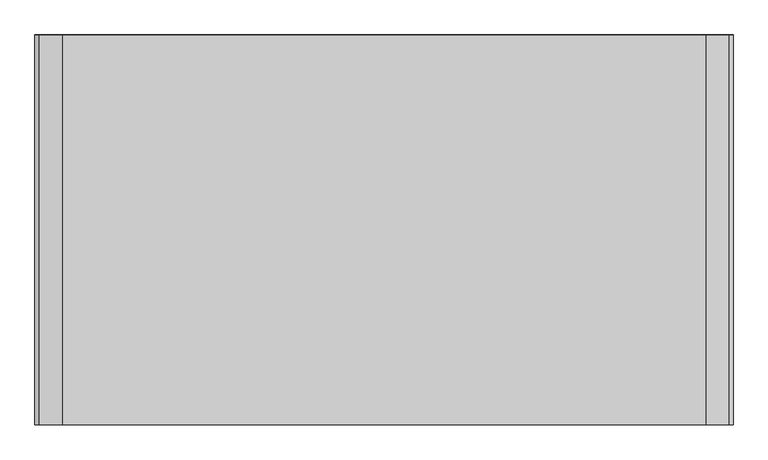
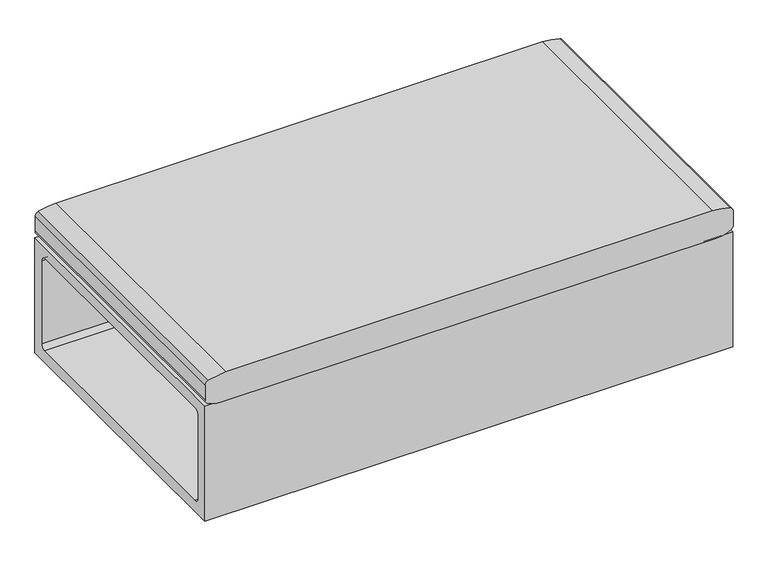
"""IFC4 building model written with IfcOpenShell, lengths in millimetres: furniture geometry."""

from ifc_helpers import new_model, si_unit, point, frame, frame_2d, origin, origin_with_axes, place, context, project, spatial, polyline, circle_curve, trimmed, segment, composite_curve, outline, extrude, source, transform, mapped, element, save


def furniture_9464c46f(model_context):
    return source(origin(), model_context, "Body", "SweptSolid", [
        extrude(outline(polyline([(-250.825, 342.9), (517.525, 342.9), (517.525, 25.4000008), (-250.825, 25.4000008), (-250.825, 342.9)]), holes=[composite_curve([segment(trimmed(circle_curve(frame_2d((-206.8160349, 69.85)), 12.7), [point((-219.5160349, 69.85))], [point((-206.8160349, 57.15))], True, "CARTESIAN"), True, "CONTINUOUS"), segment(polyline([(-206.8160349, 57.15), (472.6339901, 57.15)]), True, "CONTINUOUS"), segment(trimmed(circle_curve(frame_2d((472.6339901, 69.85)), 12.7), [point((472.6339901, 57.15))], [point((485.3339901, 69.85))], True, "CARTESIAN"), True, "CONTINUOUS"), segment(polyline([(485.3339901, 69.85), (485.3339901, 298.4500121)]), True, "CONTINUOUS"), segment(trimmed(circle_curve(frame_2d((472.6339901, 298.4500121)), 12.7), [point((485.3339901, 298.4500121))], [point((472.6339901, 311.1500121))], True, "CARTESIAN"), True, "CONTINUOUS"), segment(polyline([(472.6339901, 311.1500121), (-206.8160349, 311.1500121)]), True, "CONTINUOUS"), segment(trimmed(circle_curve(frame_2d((-206.8160349, 298.4500121)), 12.7), [point((-206.8160349, 311.1500121))], [point((-219.5160349, 298.4500121))], True, "CARTESIAN"), True, "CONTINUOUS"), segment(polyline([(-219.5160349, 298.4500121), (-219.5160349, 69.85)]), True, "CONTINUOUS")], self_intersect=False)]), frame((-1101.3079489, 0.0, 0.0), z_axis=(1.0, 0.0, 0.0), x_axis=(0.0, 1.0, 0.0)), (0.0, 0.0, 1.0), 1377.95),
        extrude(outline(composite_curve([segment(trimmed(circle_curve(frame_2d((423.2873007, -1057.504125)), 82.6120344), [point((349.3338908, -1094.3231607))], [point((340.6759712, -1057.8453888))], False, "CARTESIAN"), True, "CONTINUOUS"), segment(trimmed(circle_curve(frame_2d((156602.8890824, -412.3329489)), 156263.5463975), [point((340.6759712, -1057.8453888))], [point((340.6759712, 233.1794911))], False, "CARTESIAN"), True, "CONTINUOUS"), segment(trimmed(circle_curve(frame_2d((423.2873007, 232.8382272)), 82.6120344), [point((340.6759712, 233.1794911))], [point((349.3338908, 269.657263))], False, "CARTESIAN"), True, "CONTINUOUS"), segment(trimmed(circle_curve(frame_2d((360.6139755, 264.0412699)), 12.6007813), [point((349.3338908, 269.657263))], [point((360.6139755, 276.6420511))], False, "CARTESIAN"), True, "CONTINUOUS"), segment(polyline([(360.6139755, 276.6420511), (400.4453178, 276.6420511)]), True, "CONTINUOUS"), segment(trimmed(circle_curve(frame_2d((400.4453178, 264.0412699)), 12.6007813), [point((400.4453178, 276.6420511))], [point((412.4572005, 267.8484161))], False, "CARTESIAN"), True, "CONTINUOUS"), segment(trimmed(circle_curve(frame_2d((267.179627, 221.8029313)), 152.4), [point((412.4572005, 267.8484161))], [point((419.578468, 222.3972943))], False, "CARTESIAN"), True, "CONTINUOUS"), segment(trimmed(circle_curve(frame_2d((-162329.7185063, -412.3329489)), 162750.5347091), [point((419.578468, 222.3972943))], [point((419.578468, -1047.0631921))], False, "CARTESIAN"), True, "CONTINUOUS"), segment(trimmed(circle_curve(frame_2d((267.179627, -1046.4688291)), 152.4), [point((419.578468, -1047.0631921))], [point((412.4572005, -1092.5143138))], False, "CARTESIAN"), True, "CONTINUOUS"), segment(trimmed(circle_curve(frame_2d((400.4453178, -1088.7071676)), 12.6007813), [point((412.4572005, -1092.5143138))], [point((400.4453178, -1101.3079489))], False, "CARTESIAN"), True, "CONTINUOUS"), segment(polyline([(400.4453178, -1101.3079489), (360.6139755, -1101.3079489)]), True, "CONTINUOUS"), segment(trimmed(circle_curve(frame_2d((360.6139755, -1088.7071676)), 12.6007813), [point((360.6139755, -1101.3079489))], [point((349.3338908, -1094.3231607))], False, "CARTESIAN"), True, "CONTINUOUS")], self_intersect=False)), frame((0.0, -251.7070214, 0.0), z_axis=(0.0, 1.0, 0.0), x_axis=(0.0, 0.0, 1.0)), (0.0, 0.0, 1.0), 768.35),
        extrude(outline(polyline([(-949.701708, -98.6993524), (-946.5266837, -101.8743494), (-946.5266837, -146.3243524), (-949.701708, -149.4993494), (-994.1516837, -149.4993494), (-997.326708, -146.3243524), (-997.326708, -101.8743494), (-994.1516837, -98.6993524), (-949.701708, -98.6993524)])), frame((0.0, 0.0, 3.1750001), z_axis=(0.0, 0.0, 1.0), x_axis=(1.0, 0.0, 0.0)), (0.0, 0.0, 1.0), 22.2250007),
        extrude(outline(polyline([(-946.5266837, -95.5243463), (-943.3516959, -98.6993524), (-943.3516959, -149.4993494), (-946.5266837, -152.6743554), (-997.326708, -152.6743554), (-1000.5016959, -149.4993494), (-1000.5016959, -98.6993524), (-997.326708, -95.5243463), (-946.5266837, -95.5243463)])), origin_with_axes(), (0.0, 0.0, 1.0), 3.1750001),
        extrude(outline(polyline([(-949.701708, 415.6506749), (-946.5266837, 412.4756779), (-946.5266837, 368.0256749), (-949.701708, 364.8506779), (-994.1516837, 364.8506779), (-997.326708, 368.0256749), (-997.326708, 412.4756779), (-994.1516837, 415.6506749), (-949.701708, 415.6506749)])), frame((0.0, 0.0, 3.1750001), z_axis=(0.0, 0.0, 1.0), x_axis=(1.0, 0.0, 0.0)), (0.0, 0.0, 1.0), 22.2250007),
        extrude(outline(polyline([(-946.5266837, 418.8256809), (-943.3516959, 415.6506749), (-943.3516959, 364.8506779), (-946.5266837, 361.6756718), (-997.326708, 361.6756718), (-1000.5016959, 364.8506779), (-1000.5016959, 415.6506749), (-997.326708, 418.8256809), (-946.5266837, 418.8256809)])), origin_with_axes(), (0.0, 0.0, 1.0), 3.1750001),
        extrude(outline(polyline([(199.6482769, -98.6993524), (202.8233011, -101.8743494), (202.8233011, -146.3243524), (199.6482769, -149.4993494), (155.1983011, -149.4993494), (152.0232769, -146.3243524), (152.0232769, -101.8743494), (155.1983011, -98.6993524), (199.6482769, -98.6993524)])), frame((0.0, 0.0, 3.1750001), z_axis=(0.0, 0.0, 1.0), x_axis=(1.0, 0.0, 0.0)), (0.0, 0.0, 1.0), 22.2250007),
        extrude(outline(polyline([(202.8233011, -95.5243463), (205.998289, -98.6993524), (205.998289, -149.4993494), (202.8233011, -152.6743554), (152.0232769, -152.6743554), (148.848289, -149.4993494), (148.848289, -98.6993524), (152.0232769, -95.5243463), (202.8233011, -95.5243463)])), origin_with_axes(), (0.0, 0.0, 1.0), 3.1750001),
        extrude(outline(polyline([(199.6482769, 415.6506749), (202.8233011, 412.4756779), (202.8233011, 368.0256749), (199.6482769, 364.8506779), (155.1983011, 364.8506779), (152.0232769, 368.0256749), (152.0232769, 412.4756779), (155.1983011, 415.6506749), (199.6482769, 415.6506749)])), frame((0.0, 0.0, 3.1750001), z_axis=(0.0, 0.0, 1.0), x_axis=(1.0, 0.0, 0.0)), (0.0, 0.0, 1.0), 22.2250007),
        extrude(outline(polyline([(202.8233011, 418.8256809), (205.998289, 415.6506749), (205.998289, 364.8506779), (202.8233011, 361.6756718), (152.0232769, 361.6756718), (148.848289, 364.8506779), (148.848289, 415.6506749), (152.0232769, 418.8256809), (202.8233011, 418.8256809)])), origin_with_axes(), (0.0, 0.0, 1.0), 3.1750001),
    ])


if __name__ == "__main__":
    model = new_model("IFC4")
    model_context = context("Model", 3, world=origin())
    ifc_project = project(units=[si_unit("LENGTHUNIT", "METRE", prefix="MILLI")], contexts=[model_context])
    site = spatial("IfcSite", under=ifc_project)
    building = spatial("IfcBuilding", under=site)
    placement = place(None, origin())
    furniture_shape = furniture_9464c46f(model_context)
    element("IfcFurniture", 1, at=placement, inside=building, context=model_context, shape_type="MappedRepresentation", body=[
        mapped(furniture_shape, transform((0.0, 0.0, 0.0), x_axis=(1.0, 0.0, 0.0), y_axis=(0.0, 1.0, 0.0), z_axis=(0.0, 0.0, 1.0))),
    ])
    save(model, "model.ifc")
